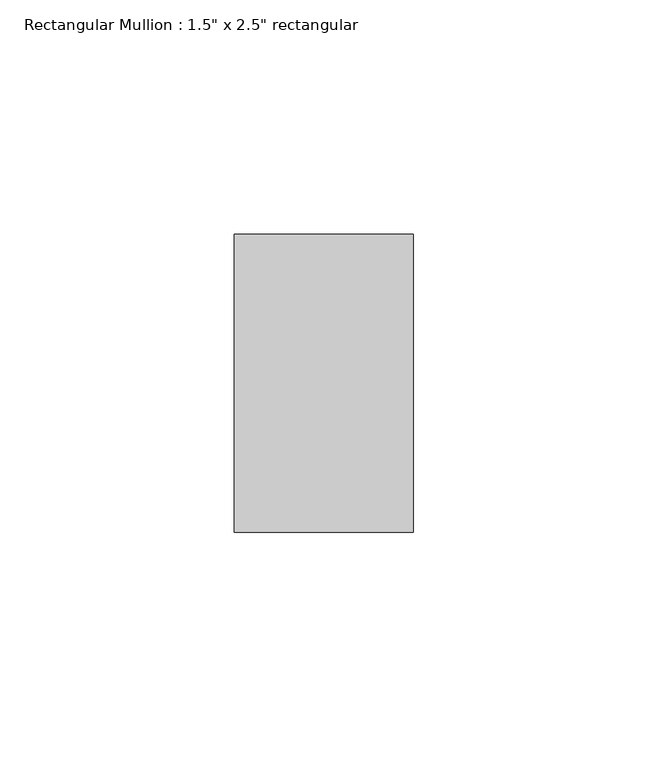
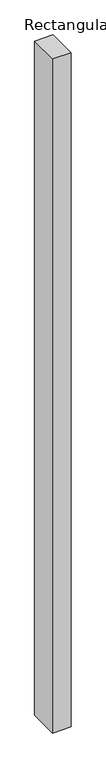
"""IFC4 building model written with IfcOpenShell, lengths in millimetres: member geometry."""

import ifcopenshell
import ifcopenshell.guid

model = None  # the IFC model being written
_history = None  # IfcOwnerHistory: only IFC2X3 demands one
_inside = {}  # id of a spatial element -> (the spatial element, [elements in it])
_under = {}  # id of a project, library or spatial element -> (it, [spatial elements below it])
_declared = {}  # id of a project -> (the project, [libraries it declares])
_typed = {}  # id of a type object -> (the type object, [elements of that type])
_made_of = {}  # id of a material, layer set ... -> (it, [elements and type objects made of it])


def new_model(schema):
    """Start an empty IFC model of exactly this schema.

    Asked for "IFC4X3", IfcOpenShell would pick the latest addendum, in which some entities
    have other attributes; the version numbers below select the first issue.
    IFC2X3 requires an IfcOwnerHistory on every rooted entity: one is made here for all.
    """
    global model, _history
    if schema == "IFC4X3":
        model = ifcopenshell.file(schema_version=(4, 3, 0, 0))
    else:
        model = ifcopenshell.file(schema=schema)
    _inside.clear()
    _under.clear()
    _declared.clear()
    _typed.clear()
    _made_of.clear()
    _history = None
    if model.schema == "IFC2X3":
        org = make("IfcOrganization", Name="unknown")
        user = make(
            "IfcPersonAndOrganization",
            ThePerson=make("IfcPerson", FamilyName="unknown"),
            TheOrganization=org,
        )
        app = make(
            "IfcApplication",
            ApplicationDeveloper=org,
            Version="unknown",
            ApplicationFullName="unknown",
            ApplicationIdentifier="unknown",
        )
        _history = make(
            "IfcOwnerHistory",
            OwningUser=user,
            OwningApplication=app,
            ChangeAction="ADDED",
            CreationDate=0,
        )
    return model


def make(cls, **values):
    """One entity of the class cls with the attributes given. An attribute that is None is left unset."""
    return model.create_entity(
        cls, **{name: value for name, value in values.items() if value is not None}
    )


def rooted(cls, **values):
    """An entity with a GlobalId (a new one), such as an element, a storey or a relation."""
    return make(cls, GlobalId=ifcopenshell.guid.new(), OwnerHistory=_history, **values)


def si_unit(unit_type, name, prefix=None):
    """IfcSIUnit, for example si_unit("LENGTHUNIT", "METRE", prefix="MILLI")."""
    return make("IfcSIUnit", UnitType=unit_type, Prefix=prefix, Name=name)


def assignment(units):
    """IfcUnitAssignment: the units of a project."""
    return None if units is None else make("IfcUnitAssignment", Units=units)


def point(xyz):
    """IfcCartesianPoint."""
    return None if xyz is None else make("IfcCartesianPoint", Coordinates=xyz)


def direction(xyz):
    """IfcDirection."""
    return None if xyz is None else make("IfcDirection", DirectionRatios=xyz)


def frame(location, z_axis=None, x_axis=None):
    """IfcAxis2Placement3D, a coordinate frame: its origin and axes. An axis left out is left unset."""
    return make(
        "IfcAxis2Placement3D",
        Location=point(location),
        Axis=direction(z_axis),
        RefDirection=direction(x_axis),
    )


def origin():
    """The frame at (0, 0, 0) with its axes left unset."""
    return frame((0.0, 0.0, 0.0))


def place(relative_to, where):
    """IfcLocalPlacement: puts the frame where relative to a parent placement (None: the world)."""
    return make(
        "IfcLocalPlacement", PlacementRelTo=relative_to, RelativePlacement=where
    )


def context(
    kind, dimensions, precision=None, world=None, true_north=None, identifier=None
):
    """IfcGeometricRepresentationContext, for example the 3D "Model" context."""
    return make(
        "IfcGeometricRepresentationContext",
        ContextIdentifier=identifier,
        ContextType=kind,
        CoordinateSpaceDimension=dimensions,
        Precision=precision,
        WorldCoordinateSystem=world,
        TrueNorth=true_north,
    )


def project(units=None, contexts=None):
    """IfcProject with its units and contexts."""
    return rooted(
        "IfcProject",
        Name="project",
        RepresentationContexts=contexts,
        UnitsInContext=assignment(units),
    )


def spatial(cls, under=None, at=None, **own):
    """A site, building, storey or space (cls), placed at a placement, below another one or the project."""
    s = rooted(cls, ObjectPlacement=at, **own)
    if under is not None:
        _under.setdefault(under.id(), (under, []))[1].append(s)
    return s


def polyline(points):
    """IfcPolyline through the points."""
    return make("IfcPolyline", Points=[point(p) for p in points])


def outline(outer, holes=None, kind="AREA"):
    """IfcArbitraryClosedProfileDef: a profile drawn as a closed curve; with holes, ...WithVoids."""
    if holes is None:
        return make("IfcArbitraryClosedProfileDef", ProfileType=kind, OuterCurve=outer)
    return make(
        "IfcArbitraryProfileDefWithVoids",
        ProfileType=kind,
        OuterCurve=outer,
        InnerCurves=holes,
    )


def extrude(swept, where, along, depth):
    """IfcExtrudedAreaSolid: the profile swept, set in the frame where, extruded along a direction by depth."""
    return make(
        "IfcExtrudedAreaSolid",
        SweptArea=swept,
        Position=where,
        ExtrudedDirection=direction(along),
        Depth=depth,
    )


def shape(context_of_items, identifier, shape_type, items):
    """IfcShapeRepresentation: the items that make up one representation, for example the "Body"."""
    return make(
        "IfcShapeRepresentation",
        ContextOfItems=context_of_items,
        RepresentationIdentifier=identifier,
        RepresentationType=shape_type,
        Items=items,
    )


def source(mapping_origin, context_of_items, identifier, shape_type, items):
    """IfcRepresentationMap: a shape defined once, which mapped items show again and again."""
    return make(
        "IfcRepresentationMap",
        MappingOrigin=mapping_origin,
        MappedRepresentation=shape(context_of_items, identifier, shape_type, items),
    )


def transform(
    local_origin,
    x_axis=None,
    y_axis=None,
    z_axis=None,
    scale=None,
    scale2=None,
    scale3=None,
    uniform=True,
):
    """IfcCartesianTransformationOperator3D, or its non-uniform kind. x_axis, y_axis, z_axis: its Axis1, 2, 3."""
    if uniform:
        return make(
            "IfcCartesianTransformationOperator3D",
            Axis1=direction(x_axis),
            Axis2=direction(y_axis),
            LocalOrigin=point(local_origin),
            Scale=scale,
            Axis3=direction(z_axis),
        )
    return make(
        "IfcCartesianTransformationOperator3DnonUniform",
        Axis1=direction(x_axis),
        Axis2=direction(y_axis),
        LocalOrigin=point(local_origin),
        Scale=scale,
        Axis3=direction(z_axis),
        Scale2=scale2,
        Scale3=scale3,
    )


def mapped(mapping_source, mapping_target):
    """IfcMappedItem: shows the shape of a source again, moved by a transform."""
    return make(
        "IfcMappedItem", MappingSource=mapping_source, MappingTarget=mapping_target
    )


def made_of(thing, what):
    """Note that an element or type object is made of a material, layer set ...; save() writes the relation."""
    if what is not None:
        _made_of.setdefault(what.id(), (what, []))[1].append(thing)
    return thing


def element(
    cls,
    number,
    at=None,
    inside=None,
    cuts=None,
    type_object=None,
    material=None,
    context=None,
    identifier="Body",
    shape_type=None,
    held_by="IfcProductDefinitionShape",
    body=None,
    shapes=None,
    **own,
):
    """One element of the class cls, such as IfcWall. Its Tag is "e" and its number.

    at: its placement. inside: the storey or other place that contains it. cuts: it is an
    opening in that element (IfcRelVoidsElement). A single representation is given by context,
    identifier, shape_type and body (its items); several are given by shapes. held_by: the class
    of the entity that holds the representations. save() writes the other relations.
    """
    e = rooted(cls, Tag="e%d" % number, ObjectPlacement=at, **own)
    if body is not None:
        shapes = [shape(context, identifier, shape_type, body)]
    if shapes is not None:
        e.Representation = make(held_by, Representations=shapes)
    if inside is not None:
        _inside.setdefault(inside.id(), (inside, []))[1].append(e)
    if cuts is not None:
        rooted(
            "IfcRelVoidsElement", RelatingBuildingElement=cuts, RelatedOpeningElement=e
        )
    if type_object is not None:
        _typed.setdefault(type_object.id(), (type_object, []))[1].append(e)
    return made_of(e, material)


def aggregate(whole, parts):
    """IfcRelAggregates: a whole, such as a stair, and the parts it consists of."""
    return rooted("IfcRelAggregates", RelatingObject=whole, RelatedObjects=parts)


def save(model, path):
    """Write the relations noted so far, then the file.

    IfcRelAggregates (storeys below a building ...), IfcRelContainedInSpatialStructure (elements
    in a storey), IfcRelDefinesByType, IfcRelAssociatesMaterial and IfcRelDeclares: one each for
    every whole, place, type object, material and project.
    """
    for whole, parts in _under.values():
        aggregate(whole, parts)
    for where, things in _inside.values():
        rooted(
            "IfcRelContainedInSpatialStructure",
            RelatedElements=things,
            RelatingStructure=where,
        )
    for kind, things in _typed.values():
        rooted("IfcRelDefinesByType", RelatedObjects=things, RelatingType=kind)
    for what, things in _made_of.values():
        rooted("IfcRelAssociatesMaterial", RelatedObjects=things, RelatingMaterial=what)
    for by, libraries in _declared.values():
        rooted("IfcRelDeclares", RelatingContext=by, RelatedDefinitions=libraries)
    model.write(path)


def member_9a18689d(model_context):
    return source(origin(), model_context, "Body", "SweptSolid", [
        extrude(outline(polyline([(19.05, -19.05), (19.05, -82.55), (-19.05, -82.55), (-19.05, -19.05), (19.05, -19.05)])), frame((0.0, 0.0, -1467.0716573), z_axis=(0.0, 0.0, 1.0), x_axis=(1.0, 0.0, 0.0)), (0.0, 0.0, 1.0), 1467.0716573),
    ])


if __name__ == "__main__":
    model = new_model("IFC4")
    model_context = context("Model", 3, world=origin())
    ifc_project = project(units=[si_unit("LENGTHUNIT", "METRE", prefix="MILLI")], contexts=[model_context])
    site = spatial("IfcSite", under=ifc_project)
    building = spatial("IfcBuilding", under=site)
    placement = place(None, origin())
    member_shape = member_9a18689d(model_context)
    element("IfcMember", 1, ObjectType="Rectangular Mullion : 1.5\" x 2.5\" rectangular", at=placement, inside=building, context=model_context, shape_type="MappedRepresentation", body=[
        mapped(member_shape, transform((0.0, 0.0, 0.0), x_axis=(1.0, 0.0, 0.0), y_axis=(0.0, 1.0, 0.0), z_axis=(0.0, 0.0, 1.0))),
    ])
    save(model, "model.ifc")
